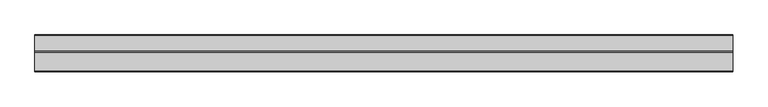
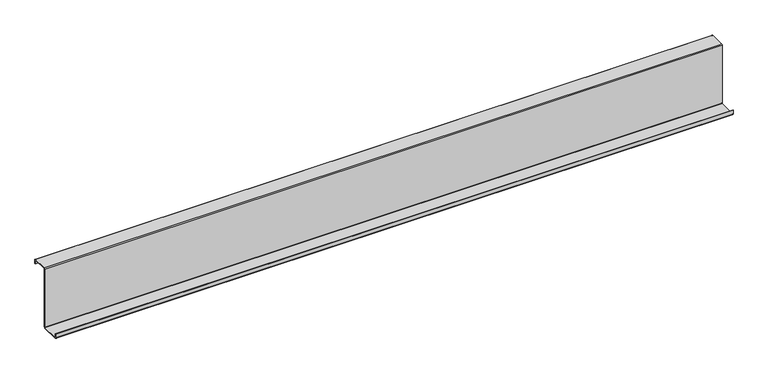
"""IFC4 building model written with IfcOpenShell, lengths in millimetres: member geometry."""

from ifc_helpers import new_model, si_unit, point, frame, frame_2d, origin, place, context, project, spatial, polyline, circle_curve, trimmed, segment, composite_curve, outline, extrude, source, transform, mapped, element, save


def member_15ca06fb(model_context):
    return source(origin(), model_context, "Body", "SweptSolid", [
        extrude(outline(composite_curve([segment(trimmed(circle_curve(frame_2d((-3.5, -123.5)), 3.5), [point((0.0, -123.5))], [point((-3.5, -127.0))], False, "CARTESIAN"), True, "CONTINUOUS"), segment(polyline([(-3.5, -127.0), (-75.0, -127.0)]), True, "CONTINUOUS"), segment(trimmed(circle_curve(frame_2d((-75.0, -123.5)), 3.5), [point((-75.0, -127.0))], [point((-78.5, -123.5))], False, "CARTESIAN"), True, "CONTINUOUS"), segment(polyline([(-78.5, -123.5), (-78.5, -107.5), (-77.0, -107.5), (-77.0, -123.5)]), True, "CONTINUOUS"), segment(trimmed(circle_curve(frame_2d((-75.0, -123.5)), 2.0), [point((-77.0, -123.5))], [point((-75.0, -125.5))], True, "CARTESIAN"), True, "CONTINUOUS"), segment(polyline([(-75.0, -125.5), (-3.5, -125.5)]), True, "CONTINUOUS"), segment(trimmed(circle_curve(frame_2d((-3.5, -123.5)), 2.0), [point((-3.5, -125.5))], [point((-1.5, -123.5))], True, "CARTESIAN"), True, "CONTINUOUS"), segment(polyline([(-1.5, -123.5), (-1.5, 123.5)]), True, "CONTINUOUS"), segment(trimmed(circle_curve(frame_2d((2.0, 123.5)), 3.5), [point((-1.5, 123.5))], [point((2.0, 127.0))], False, "CARTESIAN"), True, "CONTINUOUS"), segment(polyline([(2.0, 127.0), (63.5, 127.0)]), True, "CONTINUOUS"), segment(trimmed(circle_curve(frame_2d((63.5, 123.5)), 3.5), [point((63.5, 127.0))], [point((67.0, 123.5))], False, "CARTESIAN"), True, "CONTINUOUS"), segment(polyline([(67.0, 123.5), (67.0, 107.0), (65.5, 107.0), (65.5, 123.5)]), True, "CONTINUOUS"), segment(trimmed(circle_curve(frame_2d((63.5, 123.5)), 2.0), [point((65.5, 123.5))], [point((63.5, 125.5))], True, "CARTESIAN"), True, "CONTINUOUS"), segment(polyline([(63.5, 125.5), (2.0, 125.5)]), True, "CONTINUOUS"), segment(trimmed(circle_curve(frame_2d((2.0, 123.5)), 2.0), [point((2.0, 125.5))], [point((0.0, 123.5))], True, "CARTESIAN"), True, "CONTINUOUS"), segment(polyline([(0.0, 123.5), (0.0, -123.5)]), True, "CONTINUOUS")], self_intersect=False)), frame((-1370.0, 0.0, 0.0), z_axis=(1.0, 0.0, 0.0), x_axis=(0.0, 1.0, 0.0)), (0.0, 0.0, 1.0), 2740.0),
    ])


if __name__ == "__main__":
    model = new_model("IFC4")
    model_context = context("Model", 3, world=origin())
    ifc_project = project(units=[si_unit("LENGTHUNIT", "METRE", prefix="MILLI")], contexts=[model_context])
    site = spatial("IfcSite", under=ifc_project)
    building = spatial("IfcBuilding", under=site)
    placement = place(None, origin())
    member_shape = member_15ca06fb(model_context)
    element("IfcMember", 1, at=placement, inside=building, context=model_context, shape_type="MappedRepresentation", body=[
        mapped(member_shape, transform((0.0, 0.0, 0.0), x_axis=(1.0, 0.0, 0.0), y_axis=(0.0, 1.0, 0.0), z_axis=(0.0, 0.0, 1.0))),
    ])
    save(model, "model.ifc")
